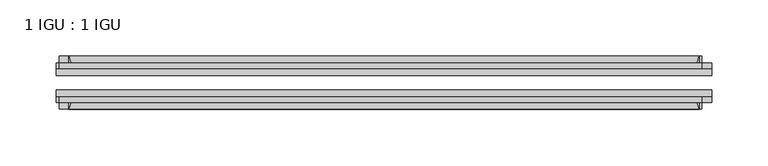
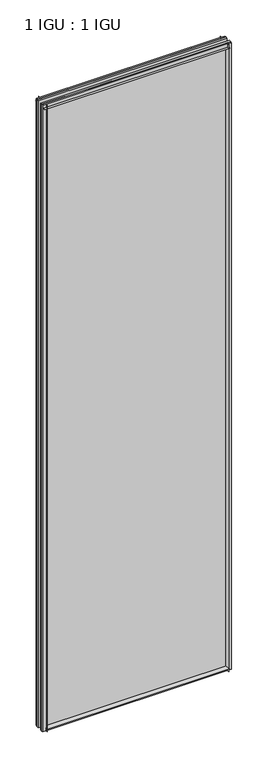
"""IFC4 building model written with IfcOpenShell, lengths in millimetres: plate geometry, 1 IGU : 1 IGU."""

from ifc_helpers import new_model, si_unit, point, frame, frame_2d, origin, place, context, project, spatial, polyline, circle_curve, trimmed, segment, composite_curve, outline, extrude, source, transform, mapped, element, save


def plate_1_igu_1_igu_ac261bc0(model_context):
    return source(origin(), model_context, "Body", "SweptSolid", [
        extrude(outline(composite_curve([segment(polyline([(-74.6252, -8.73125), (-74.6252, -0.0097454), (-80.6504332, -0.0097454)]), True, "CONTINUOUS"), segment(trimmed(circle_curve(frame_2d((-86.2258203, 32.2797688)), 32.7673262), [point((-80.6504332, -0.0097454))], [point((-69.85, 3.8979053))], True, "CARTESIAN"), True, "CONTINUOUS"), segment(polyline([(-69.85, 3.8979053), (-69.85, -8.73125), (-74.6252, -8.73125)]), True, "CONTINUOUS")], self_intersect=False)), frame((-279.4, 0.0, 0.0), z_axis=(1.0, 0.0, 0.0), x_axis=(0.0, 1.0, 0.0)), (0.0, 0.0, 1.0), 558.8),
        extrude(outline(composite_curve([segment(polyline([(-39.6748, -8.73125), (-44.45, -8.73125), (-44.45, 3.8979053)]), True, "CONTINUOUS"), segment(trimmed(circle_curve(frame_2d((-28.0741797, 32.2797688)), 32.7673262), [point((-44.45, 3.8979053))], [point((-33.6495668, -0.0097454))], True, "CARTESIAN"), True, "CONTINUOUS"), segment(polyline([(-33.6495668, -0.0097454), (-39.6748, -0.0097454), (-39.6748, -8.73125)]), True, "CONTINUOUS")], self_intersect=False)), frame((-279.4, 0.0, 0.0), z_axis=(1.0, 0.0, 0.0), x_axis=(0.0, 1.0, 0.0)), (0.0, 0.0, 1.0), 558.8),
        extrude(outline(composite_curve([segment(polyline([(-80.5942, 2012.9499938), (-74.6252, 2012.9499938), (-74.6252, 2024.0624938), (-69.85, 2024.0624938), (-69.85, 2009.0521033)]), True, "CONTINUOUS"), segment(trimmed(circle_curve(frame_2d((-86.2258203, 1980.6702398)), 32.7673262), [point((-69.85, 2009.0521033))], [point((-80.5942, 2012.9499938))], True, "CARTESIAN"), True, "CONTINUOUS")], self_intersect=False)), frame((-287.9127386, 0.0, 0.0), z_axis=(1.0, 0.0, 0.0), x_axis=(0.0, 1.0, 0.0)), (0.0, 0.0, 1.0), 569.8587001),
        extrude(outline(composite_curve([segment(polyline([(-39.6748, 2024.0624938), (-39.6748, 2012.9499938), (-33.7058, 2012.9499938)]), True, "CONTINUOUS"), segment(trimmed(circle_curve(frame_2d((-28.0741797, 1980.6702398)), 32.7673262), [point((-33.7058, 2012.9499938))], [point((-44.45, 2009.0521033))], True, "CARTESIAN"), True, "CONTINUOUS"), segment(polyline([(-44.45, 2009.0521033), (-44.45, 2024.0624938), (-39.6748, 2024.0624938)]), True, "CONTINUOUS")], self_intersect=False)), frame((-287.9127386, 0.0, 0.0), z_axis=(1.0, 0.0, 0.0), x_axis=(0.0, 1.0, 0.0)), (0.0, 0.0, 1.0), 569.8587001),
        extrude(outline(composite_curve([segment(polyline([(290.5125, -39.6748), (290.5125, -44.45), (275.5021095, -44.45)]), True, "CONTINUOUS"), segment(trimmed(circle_curve(frame_2d((247.120246, -28.0741797)), 32.7673262), [point((275.5021095, -44.45))], [point((279.4, -33.7058))], True, "CARTESIAN"), True, "CONTINUOUS"), segment(polyline([(279.4, -33.7058), (279.4, -39.6748), (290.5125, -39.6748)]), True, "CONTINUOUS")], self_intersect=False)), frame((0.0, 0.0, -8.73125), z_axis=(0.0, 0.0, 1.0), x_axis=(1.0, 0.0, 0.0)), (0.0, 0.0, 1.0), 2032.7937438),
        extrude(outline(composite_curve([segment(polyline([(290.5125, -69.85), (290.5125, -74.6252), (279.4, -74.6252), (279.4, -80.5942)]), True, "CONTINUOUS"), segment(trimmed(circle_curve(frame_2d((247.120246, -86.2258203)), 32.7673262), [point((279.4, -80.5942))], [point((275.5021095, -69.85))], True, "CARTESIAN"), True, "CONTINUOUS"), segment(polyline([(275.5021095, -69.85), (290.5125, -69.85)]), True, "CONTINUOUS")], self_intersect=False)), frame((0.0, 0.0, -8.73125), z_axis=(0.0, 0.0, 1.0), x_axis=(1.0, 0.0, 0.0)), (0.0, 0.0, 1.0), 2032.7937438),
        extrude(outline(composite_curve([segment(polyline([(-290.5125, -39.6748), (-279.4, -39.6748), (-279.4, -33.7058)]), True, "CONTINUOUS"), segment(trimmed(circle_curve(frame_2d((-247.120246, -28.0741797)), 32.7673262), [point((-279.4, -33.7058))], [point((-275.5021095, -44.45))], True, "CARTESIAN"), True, "CONTINUOUS"), segment(polyline([(-275.5021095, -44.45), (-290.5125, -44.45), (-290.5125, -39.6748)]), True, "CONTINUOUS")], self_intersect=False)), frame((0.0, 0.0, -8.73125), z_axis=(0.0, 0.0, 1.0), x_axis=(1.0, 0.0, 0.0)), (0.0, 0.0, 1.0), 2032.7937438),
        extrude(outline(composite_curve([segment(polyline([(-290.5125, -74.6252), (-290.5125, -69.85), (-275.5021095, -69.85)]), True, "CONTINUOUS"), segment(trimmed(circle_curve(frame_2d((-247.120246, -86.2258203)), 32.7673262), [point((-275.5021095, -69.85))], [point((-279.4, -80.5942))], True, "CARTESIAN"), True, "CONTINUOUS"), segment(polyline([(-279.4, -80.5942), (-279.4, -74.6252), (-290.5125, -74.6252)]), True, "CONTINUOUS")], self_intersect=False)), frame((0.0, 0.0, -8.73125), z_axis=(0.0, 0.0, 1.0), x_axis=(1.0, 0.0, 0.0)), (0.0, 0.0, 1.0), 2032.7937438),
        extrude(outline(polyline([(-290.5125, -69.85), (-290.5125, -63.5508), (290.5125, -63.5508), (290.5125, -69.85), (-290.5125, -69.85)])), frame((0.0, 0.0, -8.73125), z_axis=(0.0, 0.0, 1.0), x_axis=(1.0, 0.0, 0.0)), (0.0, 0.0, 1.0), 2032.7937438),
        extrude(outline(polyline([(290.5125, -50.7492), (-290.5125, -50.7492), (-290.5125, -44.45), (290.5125, -44.45), (290.5125, -50.7492)])), frame((0.0, 0.0, -8.73125), z_axis=(0.0, 0.0, 1.0), x_axis=(1.0, 0.0, 0.0)), (0.0, 0.0, 1.0), 2032.7937438),
    ])


if __name__ == "__main__":
    model = new_model("IFC4")
    model_context = context("Model", 3, world=origin())
    ifc_project = project(units=[si_unit("LENGTHUNIT", "METRE", prefix="MILLI")], contexts=[model_context])
    site = spatial("IfcSite", under=ifc_project)
    building = spatial("IfcBuilding", under=site)
    placement = place(None, origin())
    plate_1_igu_1_igu_shape = plate_1_igu_1_igu_ac261bc0(model_context)
    element("IfcPlate", 1, ObjectType="1 IGU : 1 IGU", at=placement, inside=building, context=model_context, shape_type="MappedRepresentation", body=[
        mapped(plate_1_igu_1_igu_shape, transform((0.0, 0.0, 0.0), x_axis=(1.0, 0.0, 0.0), y_axis=(0.0, 1.0, 0.0), z_axis=(0.0, 0.0, 1.0))),
    ])
    save(model, "model.ifc")
